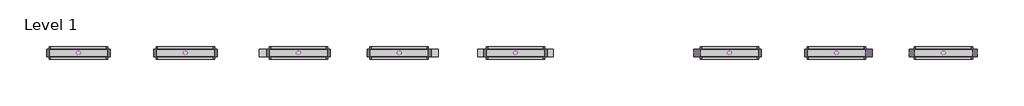
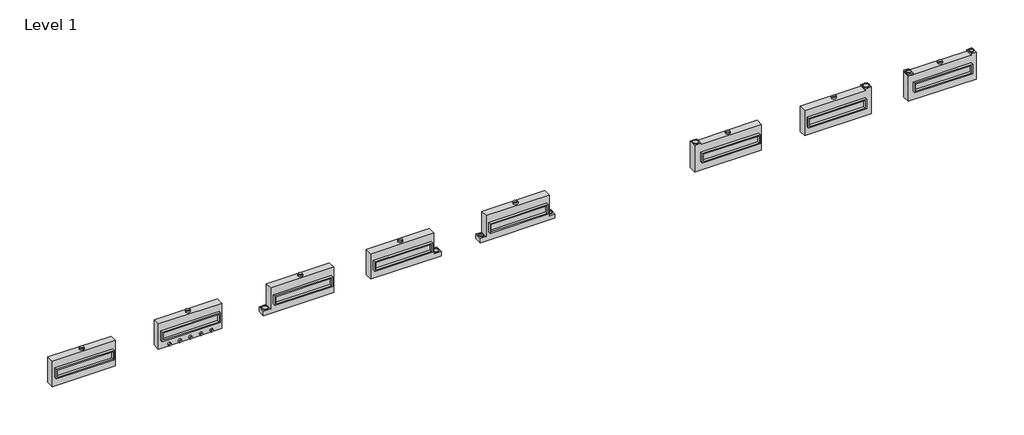
# One storey: 34 proxies.
"""IFC4 building model written with IfcOpenShell, lengths in millimetres."""

import ifcopenshell
import ifcopenshell.guid

model = None  # the IFC model being written
_history = None  # IfcOwnerHistory: only IFC2X3 demands one
_inside = {}  # id of a spatial element -> (the spatial element, [elements in it])
_under = {}  # id of a project, library or spatial element -> (it, [spatial elements below it])
_declared = {}  # id of a project -> (the project, [libraries it declares])
_typed = {}  # id of a type object -> (the type object, [elements of that type])
_made_of = {}  # id of a material, layer set ... -> (it, [elements and type objects made of it])


def new_model(schema):
    """Start an empty IFC model of exactly this schema.

    Asked for "IFC4X3", IfcOpenShell would pick the latest addendum, in which some entities
    have other attributes; the version numbers below select the first issue.
    IFC2X3 requires an IfcOwnerHistory on every rooted entity: one is made here for all.
    """
    global model, _history
    if schema == "IFC4X3":
        model = ifcopenshell.file(schema_version=(4, 3, 0, 0))
    else:
        model = ifcopenshell.file(schema=schema)
    _inside.clear()
    _under.clear()
    _declared.clear()
    _typed.clear()
    _made_of.clear()
    _history = None
    if model.schema == "IFC2X3":
        org = make("IfcOrganization", Name="unknown")
        user = make(
            "IfcPersonAndOrganization",
            ThePerson=make("IfcPerson", FamilyName="unknown"),
            TheOrganization=org,
        )
        app = make(
            "IfcApplication",
            ApplicationDeveloper=org,
            Version="unknown",
            ApplicationFullName="unknown",
            ApplicationIdentifier="unknown",
        )
        _history = make(
            "IfcOwnerHistory",
            OwningUser=user,
            OwningApplication=app,
            ChangeAction="ADDED",
            CreationDate=0,
        )
    return model


def make(cls, **values):
    """One entity of the class cls with the attributes given. An attribute that is None is left unset."""
    return model.create_entity(
        cls, **{name: value for name, value in values.items() if value is not None}
    )


def rooted(cls, **values):
    """An entity with a GlobalId (a new one), such as an element, a storey or a relation."""
    return make(cls, GlobalId=ifcopenshell.guid.new(), OwnerHistory=_history, **values)


def si_unit(unit_type, name, prefix=None):
    """IfcSIUnit, for example si_unit("LENGTHUNIT", "METRE", prefix="MILLI")."""
    return make("IfcSIUnit", UnitType=unit_type, Prefix=prefix, Name=name)


def assignment(units):
    """IfcUnitAssignment: the units of a project."""
    return None if units is None else make("IfcUnitAssignment", Units=units)


def point(xyz):
    """IfcCartesianPoint."""
    return None if xyz is None else make("IfcCartesianPoint", Coordinates=xyz)


def direction(xyz):
    """IfcDirection."""
    return None if xyz is None else make("IfcDirection", DirectionRatios=xyz)


def frame(location, z_axis=None, x_axis=None):
    """IfcAxis2Placement3D, a coordinate frame: its origin and axes. An axis left out is left unset."""
    return make(
        "IfcAxis2Placement3D",
        Location=point(location),
        Axis=direction(z_axis),
        RefDirection=direction(x_axis),
    )


def frame_2d(location, x_axis=None):
    """IfcAxis2Placement2D, a coordinate frame in the plane: its origin and x axis."""
    return make(
        "IfcAxis2Placement2D", Location=point(location), RefDirection=direction(x_axis)
    )


def origin():
    """The frame at (0, 0, 0) with its axes left unset."""
    return frame((0.0, 0.0, 0.0))


def origin_with_axes():
    """The frame at (0, 0, 0) with the z axis (0, 0, 1) and the x axis (1, 0, 0) written out."""
    return frame((0.0, 0.0, 0.0), z_axis=(0.0, 0.0, 1.0), x_axis=(1.0, 0.0, 0.0))


def origin_2d():
    """The frame at (0, 0) in the plane with its x axis left unset."""
    return frame_2d((0.0, 0.0))


def place(relative_to, where):
    """IfcLocalPlacement: puts the frame where relative to a parent placement (None: the world)."""
    return make(
        "IfcLocalPlacement", PlacementRelTo=relative_to, RelativePlacement=where
    )


def context(
    kind, dimensions, precision=None, world=None, true_north=None, identifier=None
):
    """IfcGeometricRepresentationContext, for example the 3D "Model" context."""
    return make(
        "IfcGeometricRepresentationContext",
        ContextIdentifier=identifier,
        ContextType=kind,
        CoordinateSpaceDimension=dimensions,
        Precision=precision,
        WorldCoordinateSystem=world,
        TrueNorth=true_north,
    )


def project(units=None, contexts=None):
    """IfcProject with its units and contexts."""
    return rooted(
        "IfcProject",
        Name="project",
        RepresentationContexts=contexts,
        UnitsInContext=assignment(units),
    )


def spatial(cls, under=None, at=None, **own):
    """A site, building, storey or space (cls), placed at a placement, below another one or the project."""
    s = rooted(cls, ObjectPlacement=at, **own)
    if under is not None:
        _under.setdefault(under.id(), (under, []))[1].append(s)
    return s


def polyline(points):
    """IfcPolyline through the points."""
    return make("IfcPolyline", Points=[point(p) for p in points])


def circle_curve(where, radius):
    """IfcCircle in the frame where."""
    return make("IfcCircle", Position=where, Radius=radius)


def trimmed(basis, trim1, trim2, sense, master):
    """IfcTrimmedCurve: the piece of a basis curve between two trims."""
    return make(
        "IfcTrimmedCurve",
        BasisCurve=basis,
        Trim1=trim1,
        Trim2=trim2,
        SenseAgreement=sense,
        MasterRepresentation=master,
    )


def segment(curve, same_sense, transition):
    """IfcCompositeCurveSegment."""
    return make(
        "IfcCompositeCurveSegment",
        Transition=transition,
        SameSense=same_sense,
        ParentCurve=curve,
    )


def composite_curve(segments, self_intersect=None):
    """IfcCompositeCurve: segments joined end to end."""
    return make("IfcCompositeCurve", Segments=segments, SelfIntersect=self_intersect)


def outline(outer, holes=None, kind="AREA"):
    """IfcArbitraryClosedProfileDef: a profile drawn as a closed curve; with holes, ...WithVoids."""
    if holes is None:
        return make("IfcArbitraryClosedProfileDef", ProfileType=kind, OuterCurve=outer)
    return make(
        "IfcArbitraryProfileDefWithVoids",
        ProfileType=kind,
        OuterCurve=outer,
        InnerCurves=holes,
    )


def extrude(swept, where, along, depth):
    """IfcExtrudedAreaSolid: the profile swept, set in the frame where, extruded along a direction by depth."""
    return make(
        "IfcExtrudedAreaSolid",
        SweptArea=swept,
        Position=where,
        ExtrudedDirection=direction(along),
        Depth=depth,
    )


def shape(context_of_items, identifier, shape_type, items):
    """IfcShapeRepresentation: the items that make up one representation, for example the "Body"."""
    return make(
        "IfcShapeRepresentation",
        ContextOfItems=context_of_items,
        RepresentationIdentifier=identifier,
        RepresentationType=shape_type,
        Items=items,
    )


def source(mapping_origin, context_of_items, identifier, shape_type, items):
    """IfcRepresentationMap: a shape defined once, which mapped items show again and again."""
    return make(
        "IfcRepresentationMap",
        MappingOrigin=mapping_origin,
        MappedRepresentation=shape(context_of_items, identifier, shape_type, items),
    )


def transform(
    local_origin,
    x_axis=None,
    y_axis=None,
    z_axis=None,
    scale=None,
    scale2=None,
    scale3=None,
    uniform=True,
):
    """IfcCartesianTransformationOperator3D, or its non-uniform kind. x_axis, y_axis, z_axis: its Axis1, 2, 3."""
    if uniform:
        return make(
            "IfcCartesianTransformationOperator3D",
            Axis1=direction(x_axis),
            Axis2=direction(y_axis),
            LocalOrigin=point(local_origin),
            Scale=scale,
            Axis3=direction(z_axis),
        )
    return make(
        "IfcCartesianTransformationOperator3DnonUniform",
        Axis1=direction(x_axis),
        Axis2=direction(y_axis),
        LocalOrigin=point(local_origin),
        Scale=scale,
        Axis3=direction(z_axis),
        Scale2=scale2,
        Scale3=scale3,
    )


def mapped(mapping_source, mapping_target):
    """IfcMappedItem: shows the shape of a source again, moved by a transform."""
    return make(
        "IfcMappedItem", MappingSource=mapping_source, MappingTarget=mapping_target
    )


def made_of(thing, what):
    """Note that an element or type object is made of a material, layer set ...; save() writes the relation."""
    if what is not None:
        _made_of.setdefault(what.id(), (what, []))[1].append(thing)
    return thing


def element(
    cls,
    number,
    at=None,
    inside=None,
    cuts=None,
    type_object=None,
    material=None,
    context=None,
    identifier="Body",
    shape_type=None,
    held_by="IfcProductDefinitionShape",
    body=None,
    shapes=None,
    **own,
):
    """One element of the class cls, such as IfcWall. Its Tag is "e" and its number.

    at: its placement. inside: the storey or other place that contains it. cuts: it is an
    opening in that element (IfcRelVoidsElement). A single representation is given by context,
    identifier, shape_type and body (its items); several are given by shapes. held_by: the class
    of the entity that holds the representations. save() writes the other relations.
    """
    e = rooted(cls, Tag="e%d" % number, ObjectPlacement=at, **own)
    if body is not None:
        shapes = [shape(context, identifier, shape_type, body)]
    if shapes is not None:
        e.Representation = make(held_by, Representations=shapes)
    if inside is not None:
        _inside.setdefault(inside.id(), (inside, []))[1].append(e)
    if cuts is not None:
        rooted(
            "IfcRelVoidsElement", RelatingBuildingElement=cuts, RelatedOpeningElement=e
        )
    if type_object is not None:
        _typed.setdefault(type_object.id(), (type_object, []))[1].append(e)
    return made_of(e, material)


def aggregate(whole, parts):
    """IfcRelAggregates: a whole, such as a stair, and the parts it consists of."""
    return rooted("IfcRelAggregates", RelatingObject=whole, RelatedObjects=parts)


def save(model, path):
    """Write the relations noted so far, then the file.

    IfcRelAggregates (storeys below a building ...), IfcRelContainedInSpatialStructure (elements
    in a storey), IfcRelDefinesByType, IfcRelAssociatesMaterial and IfcRelDeclares: one each for
    every whole, place, type object, material and project.
    """
    for whole, parts in _under.values():
        aggregate(whole, parts)
    for where, things in _inside.values():
        rooted(
            "IfcRelContainedInSpatialStructure",
            RelatedElements=things,
            RelatingStructure=where,
        )
    for kind, things in _typed.values():
        rooted("IfcRelDefinesByType", RelatedObjects=things, RelatingType=kind)
    for what, things in _made_of.values():
        rooted("IfcRelAssociatesMaterial", RelatedObjects=things, RelatingMaterial=what)
    for by, libraries in _declared.values():
        rooted("IfcRelDeclares", RelatingContext=by, RelatedDefinitions=libraries)
    model.write(path)


def as_specified_467cb690(model_context):
    return source(origin(), model_context, "Body", "SweptSolid", [
        extrude(outline(polyline([(1917.7, 361.95), (1917.7, -298.45), (-1917.7, -298.45), (-1917.7, 361.95), (1917.7, 361.95)]), holes=[polyline([(1828.8, 285.75), (-1828.8, 285.75), (-1828.8, -222.25), (1828.8, -222.25), (1828.8, 285.75)])]), frame((0.0, 0.0, -688.975), z_axis=(0.0, 0.0, 1.0), x_axis=(1.0, 0.0, 0.0)), (0.0, 0.0, 1.0), 165.1),
        extrude(outline(polyline([(1917.7, 361.95), (1917.7, -298.45), (-1917.7, -298.45), (-1917.7, 361.95), (1917.7, 361.95)]), holes=[polyline([(1828.8, 285.75), (-1828.8, 285.75), (-1828.8, -222.25), (1828.8, -222.25), (1828.8, 285.75)])]), frame((0.0, 0.0, -25.4), z_axis=(0.0, 0.0, 1.0), x_axis=(1.0, 0.0, 0.0)), (0.0, 0.0, 1.0), 165.1),
        extrude(outline(polyline([(1828.8, 285.75), (1828.8, -222.25), (-1828.8, -222.25), (-1828.8, 285.75), (1828.8, 285.75)])), frame((0.0, 0.0, -523.875), z_axis=(0.0, 0.0, 1.0), x_axis=(1.0, 0.0, 0.0)), (0.0, 0.0, 1.0), 4.9609375),
        extrude(outline(polyline([(1828.8, 285.75), (1828.8, -222.25), (-1828.8, -222.25), (-1828.8, 285.75), (1828.8, 285.75)])), frame((0.0, 0.0, -30.3609375), z_axis=(0.0, 0.0, 1.0), x_axis=(1.0, 0.0, 0.0)), (0.0, 0.0, 1.0), 4.9609375),
        extrude(outline(polyline([(-2082.8, 882.65), (2082.8, 882.65), (2082.8, -882.65), (-2565.4, -882.65), (-2565.4, -577.85), (-2082.8, -577.85), (-2082.8, 882.65)]), holes=[polyline([(-1917.7, 361.95), (-1917.7, -298.45), (1917.7, -298.45), (1917.7, 361.95), (-1917.7, 361.95)])]), frame((0.0, 0.0, -523.875), z_axis=(0.0, 0.0, 1.0), x_axis=(1.0, 0.0, 0.0)), (0.0, 0.0, 1.0), 498.475),
    ])


def as_specified_a56e41bc(model_context):
    return source(origin(), model_context, "Body", "SweptSolid", [
        extrude(outline(polyline([(1917.7, 361.95), (1917.7, -298.45), (-1917.7, -298.45), (-1917.7, 361.95), (1917.7, 361.95)]), holes=[polyline([(1828.8, 285.75), (-1828.8, 285.75), (-1828.8, -222.25), (1828.8, -222.25), (1828.8, 285.75)])]), frame((0.0, 0.0, -688.975), z_axis=(0.0, 0.0, 1.0), x_axis=(1.0, 0.0, 0.0)), (0.0, 0.0, 1.0), 165.1),
        extrude(outline(polyline([(1917.7, 361.95), (1917.7, -298.45), (-1917.7, -298.45), (-1917.7, 361.95), (1917.7, 361.95)]), holes=[polyline([(1828.8, 285.75), (-1828.8, 285.75), (-1828.8, -222.25), (1828.8, -222.25), (1828.8, 285.75)])]), frame((0.0, 0.0, -25.4), z_axis=(0.0, 0.0, 1.0), x_axis=(1.0, 0.0, 0.0)), (0.0, 0.0, 1.0), 165.1),
        extrude(outline(polyline([(1828.8, 285.75), (1828.8, -222.25), (-1828.8, -222.25), (-1828.8, 285.75), (1828.8, 285.75)])), frame((0.0, 0.0, -523.875), z_axis=(0.0, 0.0, 1.0), x_axis=(1.0, 0.0, 0.0)), (0.0, 0.0, 1.0), 4.9609375),
        extrude(outline(polyline([(1828.8, 285.75), (1828.8, -222.25), (-1828.8, -222.25), (-1828.8, 285.75), (1828.8, 285.75)])), frame((0.0, 0.0, -30.3609375), z_axis=(0.0, 0.0, 1.0), x_axis=(1.0, 0.0, 0.0)), (0.0, 0.0, 1.0), 4.9609375),
        extrude(outline(polyline([(2082.8, -882.65), (-2336.8, -882.65), (-2336.8, 984.25), (-1917.7, 984.25), (-1917.7, 882.65), (2082.8, 882.65), (2082.8, -882.65)]), holes=[polyline([(-1917.7, 361.95), (-1917.7, -298.45), (1917.7, -298.45), (1917.7, 361.95), (-1917.7, 361.95)])]), frame((0.0, 0.0, -523.875), z_axis=(0.0, 0.0, 1.0), x_axis=(1.0, 0.0, 0.0)), (0.0, 0.0, 1.0), 498.475),
    ])


def as_specified_0b6588af(model_context):
    return source(origin(), model_context, "Body", "SweptSolid", [
        extrude(outline(polyline([(1917.7, 361.95), (1917.7, -298.45), (-1917.7, -298.45), (-1917.7, 361.95), (1917.7, 361.95)]), holes=[polyline([(1828.8, 285.75), (-1828.8, 285.75), (-1828.8, -222.25), (1828.8, -222.25), (1828.8, 285.75)])]), frame((0.0, 0.0, -688.975), z_axis=(0.0, 0.0, 1.0), x_axis=(1.0, 0.0, 0.0)), (0.0, 0.0, 1.0), 165.1),
        extrude(outline(polyline([(1917.7, 361.95), (1917.7, -298.45), (-1917.7, -298.45), (-1917.7, 361.95), (1917.7, 361.95)]), holes=[polyline([(1828.8, 285.75), (-1828.8, 285.75), (-1828.8, -222.25), (1828.8, -222.25), (1828.8, 285.75)])]), frame((0.0, 0.0, -25.4), z_axis=(0.0, 0.0, 1.0), x_axis=(1.0, 0.0, 0.0)), (0.0, 0.0, 1.0), 165.1),
        extrude(outline(polyline([(1828.8, 285.75), (1828.8, -222.25), (-1828.8, -222.25), (-1828.8, 285.75), (1828.8, 285.75)])), frame((0.0, 0.0, -523.875), z_axis=(0.0, 0.0, 1.0), x_axis=(1.0, 0.0, 0.0)), (0.0, 0.0, 1.0), 4.9609375),
        extrude(outline(polyline([(1828.8, 285.75), (1828.8, -222.25), (-1828.8, -222.25), (-1828.8, 285.75), (1828.8, 285.75)])), frame((0.0, 0.0, -30.3609375), z_axis=(0.0, 0.0, 1.0), x_axis=(1.0, 0.0, 0.0)), (0.0, 0.0, 1.0), 4.9609375),
        extrude(outline(polyline([(-2082.8, 882.65), (2082.8, 882.65), (2082.8, -577.85), (2463.8, -577.85), (2463.8, -882.65), (-2463.8, -882.65), (-2463.8, -577.85), (-2082.8, -577.85), (-2082.8, 882.65)]), holes=[polyline([(-1917.7, 361.95), (-1917.7, -298.45), (1917.7, -298.45), (1917.7, 361.95), (-1917.7, 361.95)])]), frame((0.0, 0.0, -523.875), z_axis=(0.0, 0.0, 1.0), x_axis=(1.0, 0.0, 0.0)), (0.0, 0.0, 1.0), 498.475),
    ])


def as_specified_8337780e(model_context):
    return source(origin(), model_context, "Body", "SweptSolid", [
        extrude(outline(polyline([(1917.7, 361.95), (1917.7, -298.45), (-1917.7, -298.45), (-1917.7, 361.95), (1917.7, 361.95)]), holes=[polyline([(1828.8, 285.75), (-1828.8, 285.75), (-1828.8, -222.25), (1828.8, -222.25), (1828.8, 285.75)])]), frame((0.0, 0.0, -688.975), z_axis=(0.0, 0.0, 1.0), x_axis=(1.0, 0.0, 0.0)), (0.0, 0.0, 1.0), 165.1),
        extrude(outline(polyline([(1917.7, 361.95), (1917.7, -298.45), (-1917.7, -298.45), (-1917.7, 361.95), (1917.7, 361.95)]), holes=[polyline([(1828.8, 285.75), (-1828.8, 285.75), (-1828.8, -222.25), (1828.8, -222.25), (1828.8, 285.75)])]), frame((0.0, 0.0, -25.4), z_axis=(0.0, 0.0, 1.0), x_axis=(1.0, 0.0, 0.0)), (0.0, 0.0, 1.0), 165.1),
        extrude(outline(polyline([(1828.8, 285.75), (1828.8, -222.25), (-1828.8, -222.25), (-1828.8, 285.75), (1828.8, 285.75)])), frame((0.0, 0.0, -523.875), z_axis=(0.0, 0.0, 1.0), x_axis=(1.0, 0.0, 0.0)), (0.0, 0.0, 1.0), 4.9609375),
        extrude(outline(polyline([(1828.8, 285.75), (1828.8, -222.25), (-1828.8, -222.25), (-1828.8, 285.75), (1828.8, 285.75)])), frame((0.0, 0.0, -30.3609375), z_axis=(0.0, 0.0, 1.0), x_axis=(1.0, 0.0, 0.0)), (0.0, 0.0, 1.0), 4.9609375),
        extrude(outline(polyline([(-2082.8, 882.65), (2082.8, 882.65), (2082.8, -577.85), (2565.4, -577.85), (2565.4, -882.65), (-2082.8, -882.65), (-2082.8, 882.65)]), holes=[polyline([(-1917.7, 361.95), (-1917.7, -298.45), (1917.7, -298.45), (1917.7, 361.95), (-1917.7, 361.95)])]), frame((0.0, 0.0, -523.875), z_axis=(0.0, 0.0, 1.0), x_axis=(1.0, 0.0, 0.0)), (0.0, 0.0, 1.0), 498.475),
    ])


def as_specified_1f719988(model_context):
    return source(origin(), model_context, "Body", "SweptSolid", [
        extrude(outline(polyline([(1917.7, 361.95), (1917.7, -298.45), (-1917.7, -298.45), (-1917.7, 361.95), (1917.7, 361.95)]), holes=[polyline([(1828.8, 285.75), (-1828.8, 285.75), (-1828.8, -222.25), (1828.8, -222.25), (1828.8, 285.75)])]), frame((0.0, 0.0, -688.975), z_axis=(0.0, 0.0, 1.0), x_axis=(1.0, 0.0, 0.0)), (0.0, 0.0, 1.0), 165.1),
        extrude(outline(polyline([(1917.7, 361.95), (1917.7, -298.45), (-1917.7, -298.45), (-1917.7, 361.95), (1917.7, 361.95)]), holes=[polyline([(1828.8, 285.75), (-1828.8, 285.75), (-1828.8, -222.25), (1828.8, -222.25), (1828.8, 285.75)])]), frame((0.0, 0.0, -25.4), z_axis=(0.0, 0.0, 1.0), x_axis=(1.0, 0.0, 0.0)), (0.0, 0.0, 1.0), 165.1),
        extrude(outline(polyline([(1828.8, 285.75), (1828.8, -222.25), (-1828.8, -222.25), (-1828.8, 285.75), (1828.8, 285.75)])), frame((0.0, 0.0, -523.875), z_axis=(0.0, 0.0, 1.0), x_axis=(1.0, 0.0, 0.0)), (0.0, 0.0, 1.0), 4.9609375),
        extrude(outline(polyline([(1828.8, 285.75), (1828.8, -222.25), (-1828.8, -222.25), (-1828.8, 285.75), (1828.8, 285.75)])), frame((0.0, 0.0, -30.3609375), z_axis=(0.0, 0.0, 1.0), x_axis=(1.0, 0.0, 0.0)), (0.0, 0.0, 1.0), 4.9609375),
        extrude(outline(polyline([(2336.8, -882.65), (-2082.8, -882.65), (-2082.8, 882.65), (1917.7, 882.65), (1917.7, 984.25), (2336.8, 984.25), (2336.8, -882.65)]), holes=[polyline([(-1917.7, 361.95), (-1917.7, -298.45), (1917.7, -298.45), (1917.7, 361.95), (-1917.7, 361.95)])]), frame((0.0, 0.0, -523.875), z_axis=(0.0, 0.0, 1.0), x_axis=(1.0, 0.0, 0.0)), (0.0, 0.0, 1.0), 498.475),
    ])


def as_specified_d8558569(model_context):
    return source(origin(), model_context, "Body", "SweptSolid", [
        extrude(outline(polyline([(1917.7, 361.95), (1917.7, -298.45), (-1917.7, -298.45), (-1917.7, 361.95), (1917.7, 361.95)]), holes=[polyline([(1828.8, 285.75), (-1828.8, 285.75), (-1828.8, -222.25), (1828.8, -222.25), (1828.8, 285.75)])]), frame((0.0, 0.0, -688.975), z_axis=(0.0, 0.0, 1.0), x_axis=(1.0, 0.0, 0.0)), (0.0, 0.0, 1.0), 165.1),
        extrude(outline(polyline([(1917.7, 361.95), (1917.7, -298.45), (-1917.7, -298.45), (-1917.7, 361.95), (1917.7, 361.95)]), holes=[polyline([(1828.8, 285.75), (-1828.8, 285.75), (-1828.8, -222.25), (1828.8, -222.25), (1828.8, 285.75)])]), frame((0.0, 0.0, -25.4), z_axis=(0.0, 0.0, 1.0), x_axis=(1.0, 0.0, 0.0)), (0.0, 0.0, 1.0), 165.1),
        extrude(outline(polyline([(-1917.7, 882.65), (-2235.2, 882.65), (-2235.2, 984.25), (-1917.7, 984.25), (-1917.7, 882.65)])), frame((0.0, 0.0, -523.875), z_axis=(0.0, 0.0, 1.0), x_axis=(1.0, 0.0, 0.0)), (0.0, 0.0, 1.0), 498.475),
        extrude(outline(polyline([(1828.8, 285.75), (1828.8, -222.25), (-1828.8, -222.25), (-1828.8, 285.75), (1828.8, 285.75)])), frame((0.0, 0.0, -523.875), z_axis=(0.0, 0.0, 1.0), x_axis=(1.0, 0.0, 0.0)), (0.0, 0.0, 1.0), 4.9609375),
        extrude(outline(polyline([(1828.8, 285.75), (1828.8, -222.25), (-1828.8, -222.25), (-1828.8, 285.75), (1828.8, 285.75)])), frame((0.0, 0.0, -30.3609375), z_axis=(0.0, 0.0, 1.0), x_axis=(1.0, 0.0, 0.0)), (0.0, 0.0, 1.0), 4.9609375),
        extrude(outline(polyline([(2235.2, -882.65), (-2235.2, -882.65), (-2235.2, 882.65), (1917.7, 882.65), (1917.7, 984.25), (2235.2, 984.25), (2235.2, -882.65)]), holes=[polyline([(-1917.7, 361.95), (-1917.7, -298.45), (1917.7, -298.45), (1917.7, 361.95), (-1917.7, 361.95)])]), frame((0.0, 0.0, -523.875), z_axis=(0.0, 0.0, 1.0), x_axis=(1.0, 0.0, 0.0)), (0.0, 0.0, 1.0), 498.475),
    ])


def as_specified_1793d65c(model_context):
    return source(origin(), model_context, "Body", "SweptSolid", [
        extrude(outline(polyline([(1917.7, 361.95), (1917.7, -298.45), (-1917.7, -298.45), (-1917.7, 361.95), (1917.7, 361.95)]), holes=[polyline([(1828.8, 285.75), (-1828.8, 285.75), (-1828.8, -222.25), (1828.8, -222.25), (1828.8, 285.75)])]), frame((0.0, 0.0, -688.975), z_axis=(0.0, 0.0, 1.0), x_axis=(1.0, 0.0, 0.0)), (0.0, 0.0, 1.0), 165.1),
        extrude(outline(polyline([(1917.7, 361.95), (1917.7, -298.45), (-1917.7, -298.45), (-1917.7, 361.95), (1917.7, 361.95)]), holes=[polyline([(1828.8, 285.75), (-1828.8, 285.75), (-1828.8, -222.25), (1828.8, -222.25), (1828.8, 285.75)])]), frame((0.0, 0.0, -25.4), z_axis=(0.0, 0.0, 1.0), x_axis=(1.0, 0.0, 0.0)), (0.0, 0.0, 1.0), 165.1),
        extrude(outline(polyline([(1828.8, 285.75), (1828.8, -222.25), (-1828.8, -222.25), (-1828.8, 285.75), (1828.8, 285.75)])), frame((0.0, 0.0, -523.875), z_axis=(0.0, 0.0, 1.0), x_axis=(1.0, 0.0, 0.0)), (0.0, 0.0, 1.0), 4.9609375),
        extrude(outline(polyline([(1828.8, 285.75), (1828.8, -222.25), (-1828.8, -222.25), (-1828.8, 285.75), (1828.8, 285.75)])), frame((0.0, 0.0, -30.3609375), z_axis=(0.0, 0.0, 1.0), x_axis=(1.0, 0.0, 0.0)), (0.0, 0.0, 1.0), 4.9609375),
        extrude(outline(polyline([(2082.8, -882.65), (-2082.8, -882.65), (-2082.8, 882.65), (2082.8, 882.65), (2082.8, -882.65)]), holes=[polyline([(-1917.7, 361.95), (-1917.7, -298.45), (1917.7, -298.45), (1917.7, 361.95), (-1917.7, 361.95)])]), frame((0.0, 0.0, -523.875), z_axis=(0.0, 0.0, 1.0), x_axis=(1.0, 0.0, 0.0)), (0.0, 0.0, 1.0), 498.475),
    ])


def proxy_814ff0a6(model_context):
    return source(origin(), model_context, "Body", "SweptSolid", [
        extrude(outline(composite_curve([segment(trimmed(circle_curve(origin_2d(), 149.225), [point((-149.225, 0.0))], [point((149.225, 0.0))], False, "CARTESIAN"), True, "CONTINUOUS"), segment(trimmed(circle_curve(origin_2d(), 149.225), [point((149.225, 0.0))], [point((-149.225, 0.0))], False, "CARTESIAN"), True, "CONTINUOUS")], self_intersect=False), holes=[composite_curve([segment(trimmed(circle_curve(origin_2d(), 147.6375), [point((-147.6375, 0.0))], [point((147.6375, 0.0))], True, "CARTESIAN"), True, "CONTINUOUS"), segment(trimmed(circle_curve(origin_2d(), 147.6375), [point((147.6375, 0.0))], [point((-147.6375, 0.0))], True, "CARTESIAN"), True, "CONTINUOUS")], self_intersect=False)]), origin_with_axes(), (0.0, 0.0, 1.0), 101.6),
    ])


def proxy_f96b1d40(model_context):
    return source(origin(), model_context, "Body", "SweptSolid", [
        extrude(outline(composite_curve([segment(trimmed(circle_curve(origin_2d(), 150.8125), [point((-150.8125, 0.0))], [point((150.8125, 0.0))], False, "CARTESIAN"), True, "CONTINUOUS"), segment(trimmed(circle_curve(origin_2d(), 150.8125), [point((150.8125, 0.0))], [point((-150.8125, 0.0))], False, "CARTESIAN"), True, "CONTINUOUS")], self_intersect=False), holes=[composite_curve([segment(trimmed(circle_curve(origin_2d(), 149.225), [point((-149.225, 0.0))], [point((149.225, 0.0))], True, "CARTESIAN"), True, "CONTINUOUS"), segment(trimmed(circle_curve(origin_2d(), 149.225), [point((149.225, 0.0))], [point((-149.225, 0.0))], True, "CARTESIAN"), True, "CONTINUOUS")], self_intersect=False)]), origin_with_axes(), (0.0, 0.0, 1.0), 50.8),
    ])


def proxy_1980b29d(model_context):
    return source(origin(), model_context, "Body", "SweptSolid", [
        extrude(outline(composite_curve([segment(trimmed(circle_curve(origin_2d(), 201.6621094), [point((-201.6621094, 0.0))], [point((201.6621094, 0.0))], False, "CARTESIAN"), True, "CONTINUOUS"), segment(trimmed(circle_curve(origin_2d(), 201.6621094), [point((201.6621094, 0.0))], [point((-201.6621094, 0.0))], False, "CARTESIAN"), True, "CONTINUOUS")], self_intersect=False), holes=[composite_curve([segment(trimmed(circle_curve(origin_2d(), 200.0746094), [point((-200.0746094, 0.0))], [point((200.0746094, 0.0))], True, "CARTESIAN"), True, "CONTINUOUS"), segment(trimmed(circle_curve(origin_2d(), 200.0746094), [point((200.0746094, 0.0))], [point((-200.0746094, 0.0))], True, "CARTESIAN"), True, "CONTINUOUS")], self_intersect=False)]), origin_with_axes(), (0.0, 0.0, 1.0), 50.8),
    ])


def proxy_5643af6b(model_context):
    return source(origin(), model_context, "Body", "SweptSolid", [
        extrude(outline(composite_curve([segment(trimmed(circle_curve(origin_2d(), 100.0125), [point((-100.0125, 0.0))], [point((100.0125, 0.0))], False, "CARTESIAN"), True, "CONTINUOUS"), segment(trimmed(circle_curve(origin_2d(), 100.0125), [point((100.0125, 0.0))], [point((-100.0125, 0.0))], False, "CARTESIAN"), True, "CONTINUOUS")], self_intersect=False), holes=[composite_curve([segment(trimmed(circle_curve(origin_2d(), 98.425), [point((-98.425, 0.0))], [point((98.425, 0.0))], True, "CARTESIAN"), True, "CONTINUOUS"), segment(trimmed(circle_curve(origin_2d(), 98.425), [point((98.425, 0.0))], [point((-98.425, 0.0))], True, "CARTESIAN"), True, "CONTINUOUS")], self_intersect=False)]), origin_with_axes(), (0.0, 0.0, 1.0), 101.6),
    ])


def proxy_c1ba4f62(model_context):
    return source(origin(), model_context, "Body", "SweptSolid", [
        extrude(outline(composite_curve([segment(trimmed(circle_curve(origin_2d(), 103.1875), [point((-103.1875, 0.0))], [point((103.1875, 0.0))], False, "CARTESIAN"), True, "CONTINUOUS"), segment(trimmed(circle_curve(origin_2d(), 103.1875), [point((103.1875, 0.0))], [point((-103.1875, 0.0))], False, "CARTESIAN"), True, "CONTINUOUS")], self_intersect=False), holes=[composite_curve([segment(trimmed(circle_curve(origin_2d(), 101.6), [point((-101.6, 0.0))], [point((101.6, 0.0))], True, "CARTESIAN"), True, "CONTINUOUS"), segment(trimmed(circle_curve(origin_2d(), 101.6), [point((101.6, 0.0))], [point((-101.6, 0.0))], True, "CARTESIAN"), True, "CONTINUOUS")], self_intersect=False)]), origin_with_axes(), (0.0, 0.0, 1.0), 6.35),
    ])


model = new_model("IFC4")

# Units and contexts
model_context = context("Model", 3, world=origin())
ifc_project = project(units=[si_unit("LENGTHUNIT", "METRE", prefix="MILLI")], contexts=[model_context])

# Site, building, storey
site = spatial("IfcSite", under=ifc_project)
building = spatial("IfcBuilding", under=site)
storey = spatial("IfcBuildingStorey", under=building, Name="Level 1", Elevation=0.0)

# Proxies
placement = place(None, origin())
as_specified_shape = as_specified_467cb690(model_context)
element("IfcBuildingElementProxy", 1, Name="As Specified", ObjectType="As Specified", at=placement, inside=storey, context=model_context, shape_type="MappedRepresentation", body=[
    mapped(as_specified_shape, transform((565.6597121, 1616.7712992, 1144.6311604), x_axis=(1.0, 0.0, 0.0), y_axis=(0.0, 0.0, 1.0), z_axis=(0.0, -1.0, 0.0))),
])
as_specified_2_shape = as_specified_a56e41bc(model_context)
element("IfcBuildingElementProxy", 2, Name="As Specified", ObjectType="As Specified", at=placement, inside=storey, context=model_context, shape_type="MappedRepresentation", body=[
    mapped(as_specified_2_shape, transform((28812.0574402, 1616.7712992, 1219.2), x_axis=(1.0, 0.0, 0.0), y_axis=(0.0, 0.0, 1.0), z_axis=(0.0, -1.0, 0.0))),
])
as_specified_3_shape = as_specified_0b6588af(model_context)
element("IfcBuildingElementProxy", 3, Name="As Specified", ObjectType="As Specified", at=placement, inside=storey, context=model_context, shape_type="MappedRepresentation", body=[
    mapped(as_specified_3_shape, transform((14791.2574402, 1616.7712992, 1219.2), x_axis=(1.0, 0.0, 0.0), y_axis=(0.0, 0.0, 1.0), z_axis=(0.0, -1.0, 0.0))),
])
as_specified_4_shape = as_specified_8337780e(model_context)
element("IfcBuildingElementProxy", 4, Name="As Specified", ObjectType="As Specified", at=placement, inside=storey, context=model_context, shape_type="MappedRepresentation", body=[
    mapped(as_specified_4_shape, transform((7171.2574402, 1616.7712992, 1219.2), x_axis=(1.0, 0.0, 0.0), y_axis=(0.0, 0.0, 1.0), z_axis=(0.0, -1.0, 0.0))),
])
as_specified_5_shape = as_specified_1f719988(model_context)
element("IfcBuildingElementProxy", 5, Name="As Specified", ObjectType="As Specified", at=placement, inside=storey, context=model_context, shape_type="MappedRepresentation", body=[
    mapped(as_specified_5_shape, transform((35822.4574402, 1616.7712992, 1219.2), x_axis=(1.0, 0.0, 0.0), y_axis=(0.0, 0.0, 1.0), z_axis=(0.0, -1.0, 0.0))),
])
as_specified_6_shape = as_specified_d8558569(model_context)
element("IfcBuildingElementProxy", 6, Name="As Specified", ObjectType="As Specified", at=placement, inside=storey, context=model_context, shape_type="MappedRepresentation", body=[
    mapped(as_specified_6_shape, transform((42832.8574402, 1616.7712992, 1219.2), x_axis=(1.0, 0.0, 0.0), y_axis=(0.0, 0.0, 1.0), z_axis=(0.0, -1.0, 0.0))),
])
as_specified_7_shape = as_specified_1793d65c(model_context)
element("IfcBuildingElementProxy", 7, Name="As Specified", ObjectType="As Specified", at=placement, inside=storey, context=model_context, shape_type="MappedRepresentation", body=[
    mapped(as_specified_7_shape, transform((-6849.5425598, 1616.7712992, 1219.2), x_axis=(1.0, 0.0, 0.0), y_axis=(0.0, 0.0, 1.0), z_axis=(0.0, -1.0, 0.0))),
])
element("IfcBuildingElementProxy", 8, Name="As Specified", ObjectType="As Specified", at=placement, inside=storey, context=model_context, shape_type="MappedRepresentation", body=[
    mapped(as_specified_7_shape, transform((-13859.9425598, 1616.7712992, 1066.8), x_axis=(1.0, 0.0, 0.0), y_axis=(0.0, 0.0, 1.0), z_axis=(0.0, -1.0, 0.0))),
])
proxy_shape = proxy_814ff0a6(model_context)
element("IfcBuildingElementProxy", 9, Name="Duct Dia : 11 3/4\" Dia", ObjectType="Duct Dia : 11 3/4\" Dia", at=placement, inside=storey, context=model_context, shape_type="MappedRepresentation", body=[
    mapped(proxy_shape, transform((-13859.9425598, 1891.4087992, 1949.45), x_axis=(1.0, 0.0, 0.0), y_axis=(0.0, 1.0, 0.0), z_axis=(0.0, 0.0, 1.0))),
])
element("IfcBuildingElementProxy", 10, Name="Duct Dia : 11 3/4\" Dia", ObjectType="Duct Dia : 11 3/4\" Dia", at=placement, inside=storey, context=model_context, shape_type="MappedRepresentation", body=[
    mapped(proxy_shape, transform((-6849.5425598, 1891.4087992, 2101.85), x_axis=(1.0, 0.0, 0.0), y_axis=(0.0, 1.0, 0.0), z_axis=(0.0, 0.0, 1.0))),
])
element("IfcBuildingElementProxy", 11, Name="Duct Dia : 11 3/4\" Dia", ObjectType="Duct Dia : 11 3/4\" Dia", at=placement, inside=storey, context=model_context, shape_type="MappedRepresentation", body=[
    mapped(proxy_shape, transform((565.6597121, 1891.4087992, 2027.2811604), x_axis=(1.0, 0.0, 0.0), y_axis=(0.0, 1.0, 0.0), z_axis=(0.0, 0.0, 1.0))),
])
element("IfcBuildingElementProxy", 12, Name="Duct Dia : 11 3/4\" Dia", ObjectType="Duct Dia : 11 3/4\" Dia", at=placement, inside=storey, context=model_context, shape_type="MappedRepresentation", body=[
    mapped(proxy_shape, transform((7171.2574402, 1891.4087992, 2101.85), x_axis=(1.0, 0.0, 0.0), y_axis=(0.0, 1.0, 0.0), z_axis=(0.0, 0.0, 1.0))),
])
element("IfcBuildingElementProxy", 13, Name="Duct Dia : 11 3/4\" Dia", ObjectType="Duct Dia : 11 3/4\" Dia", at=placement, inside=storey, context=model_context, shape_type="MappedRepresentation", body=[
    mapped(proxy_shape, transform((14791.2574402, 1891.4087992, 2101.85), x_axis=(1.0, 0.0, 0.0), y_axis=(0.0, 1.0, 0.0), z_axis=(0.0, 0.0, 1.0))),
])
element("IfcBuildingElementProxy", 14, Name="Duct Dia : 11 3/4\" Dia", ObjectType="Duct Dia : 11 3/4\" Dia", at=placement, inside=storey, context=model_context, shape_type="MappedRepresentation", body=[
    mapped(proxy_shape, transform((28812.0574402, 1891.4087992, 2101.85), x_axis=(1.0, 0.0, 0.0), y_axis=(0.0, 1.0, 0.0), z_axis=(0.0, 0.0, 1.0))),
])
element("IfcBuildingElementProxy", 15, Name="Duct Dia : 11 3/4\" Dia", ObjectType="Duct Dia : 11 3/4\" Dia", at=placement, inside=storey, context=model_context, shape_type="MappedRepresentation", body=[
    mapped(proxy_shape, transform((35822.4574402, 1891.4087992, 2101.85), x_axis=(1.0, 0.0, 0.0), y_axis=(0.0, 1.0, 0.0), z_axis=(0.0, 0.0, 1.0))),
])
element("IfcBuildingElementProxy", 16, Name="Duct Dia : 11 3/4\" Dia", ObjectType="Duct Dia : 11 3/4\" Dia", at=placement, inside=storey, context=model_context, shape_type="MappedRepresentation", body=[
    mapped(proxy_shape, transform((42832.8574402, 1891.4087992, 2101.85), x_axis=(1.0, 0.0, 0.0), y_axis=(0.0, 1.0, 0.0), z_axis=(0.0, 0.0, 1.0))),
])
proxy_2_shape = proxy_f96b1d40(model_context)
element("IfcBuildingElementProxy", 17, Name="Duct Dia : 11 7/8\" Dia.", ObjectType="Duct Dia : 11 7/8\" Dia.", at=placement, inside=storey, context=model_context, shape_type="MappedRepresentation", body=[
    mapped(proxy_2_shape, transform((12517.9574402, 1891.4087992, 641.35), x_axis=(1.0, 0.0, 0.0), y_axis=(0.0, 1.0, 0.0), z_axis=(0.0, 0.0, 1.0))),
])
element("IfcBuildingElementProxy", 18, Name="Duct Dia : 11 7/8\" Dia.", ObjectType="Duct Dia : 11 7/8\" Dia.", at=placement, inside=storey, context=model_context, shape_type="MappedRepresentation", body=[
    mapped(proxy_2_shape, transform((40756.4074402, 1891.4087992, 2203.45), x_axis=(1.0, 0.0, 0.0), y_axis=(0.0, 1.0, 0.0), z_axis=(0.0, 0.0, 1.0))),
])
element("IfcBuildingElementProxy", 19, Name="Duct Dia : 11 7/8\" Dia.", ObjectType="Duct Dia : 11 7/8\" Dia.", at=placement, inside=storey, context=model_context, shape_type="MappedRepresentation", body=[
    mapped(proxy_2_shape, transform((17064.5574402, 1891.4087992, 641.35), x_axis=(-1.0, 0.0, 0.0), y_axis=(0.0, -1.0, 0.0), z_axis=(0.0, 0.0, 1.0))),
])
element("IfcBuildingElementProxy", 20, Name="Duct Dia : 11 7/8\" Dia.", ObjectType="Duct Dia : 11 7/8\" Dia.", at=placement, inside=storey, context=model_context, shape_type="MappedRepresentation", body=[
    mapped(proxy_2_shape, transform((44909.3074402, 1891.4087992, 2203.45), x_axis=(-1.0, 0.0, 0.0), y_axis=(0.0, -1.0, 0.0), z_axis=(0.0, 0.0, 1.0))),
])
proxy_3_shape = proxy_1980b29d(model_context)
element("IfcBuildingElementProxy", 21, Name="Duct Dia : 15 7/8\" Dia.", ObjectType="Duct Dia : 15 7/8\" Dia.", at=placement, inside=storey, context=model_context, shape_type="MappedRepresentation", body=[
    mapped(proxy_3_shape, transform((-1758.4402879, 1891.4087992, 566.7811604), x_axis=(1.0, 0.0, 0.0), y_axis=(0.0, 1.0, 0.0), z_axis=(0.0, 0.0, 1.0))),
])
element("IfcBuildingElementProxy", 22, Name="Duct Dia : 15 7/8\" Dia.", ObjectType="Duct Dia : 15 7/8\" Dia.", at=placement, inside=storey, context=model_context, shape_type="MappedRepresentation", body=[
    mapped(proxy_3_shape, transform((26684.8074402, 1891.4087992, 2203.45), x_axis=(1.0, 0.0, 0.0), y_axis=(0.0, 1.0, 0.0), z_axis=(0.0, 0.0, 1.0))),
])
element("IfcBuildingElementProxy", 23, Name="Duct Dia : 15 7/8\" Dia.", ObjectType="Duct Dia : 15 7/8\" Dia.", at=placement, inside=storey, context=model_context, shape_type="MappedRepresentation", body=[
    mapped(proxy_3_shape, transform((9495.3574402, 1891.4087992, 641.35), x_axis=(-1.0, 0.0, 0.0), y_axis=(0.0, -1.0, 0.0), z_axis=(0.0, 0.0, 1.0))),
])
element("IfcBuildingElementProxy", 24, Name="Duct Dia : 15 7/8\" Dia.", ObjectType="Duct Dia : 15 7/8\" Dia.", at=placement, inside=storey, context=model_context, shape_type="MappedRepresentation", body=[
    mapped(proxy_3_shape, transform((37949.7074402, 1891.4087992, 2203.45), x_axis=(-1.0, 0.0, 0.0), y_axis=(0.0, -1.0, 0.0), z_axis=(0.0, 0.0, 1.0))),
])
proxy_4_shape = proxy_5643af6b(model_context)
element("IfcBuildingElementProxy", 25, Name="Duct Dia : 7 7/8\" Dia", ObjectType="Duct Dia : 7 7/8\" Dia", at=placement, inside=storey, context=model_context, shape_type="MappedRepresentation", body=[
    mapped(proxy_4_shape, transform((-7543.8092265, 1642.1712992, 488.95), x_axis=(-1.0, 0.0, 0.0), y_axis=(0.0, 0.0, -1.0), z_axis=(0.0, -1.0, 0.0))),
])
element("IfcBuildingElementProxy", 26, Name="Duct Dia : 7 7/8\" Dia", ObjectType="Duct Dia : 7 7/8\" Dia", at=placement, inside=storey, context=model_context, shape_type="MappedRepresentation", body=[
    mapped(proxy_4_shape, transform((-6155.2758932, 1642.1712992, 488.95), x_axis=(-1.0, 0.0, 0.0), y_axis=(0.0, 0.0, -1.0), z_axis=(0.0, -1.0, 0.0))),
])
element("IfcBuildingElementProxy", 27, Name="Duct Dia : 7 7/8\" Dia", ObjectType="Duct Dia : 7 7/8\" Dia", at=placement, inside=storey, context=model_context, shape_type="MappedRepresentation", body=[
    mapped(proxy_4_shape, transform((-6849.5425598, 1642.1712992, 488.95), x_axis=(-1.0, 0.0, 0.0), y_axis=(0.0, 0.0, -1.0), z_axis=(0.0, -1.0, 0.0))),
])
element("IfcBuildingElementProxy", 28, Name="Duct Dia : 7 7/8\" Dia", ObjectType="Duct Dia : 7 7/8\" Dia", at=placement, inside=storey, context=model_context, shape_type="MappedRepresentation", body=[
    mapped(proxy_4_shape, transform((-8238.0758932, 1642.1712992, 488.95), x_axis=(-1.0, 0.0, 0.0), y_axis=(0.0, 0.0, -1.0), z_axis=(0.0, -1.0, 0.0))),
])
element("IfcBuildingElementProxy", 29, Name="Duct Dia : 7 7/8\" Dia", ObjectType="Duct Dia : 7 7/8\" Dia", at=placement, inside=storey, context=model_context, shape_type="MappedRepresentation", body=[
    mapped(proxy_4_shape, transform((-5461.0092265, 1642.1712992, 488.95), x_axis=(-1.0, 0.0, 0.0), y_axis=(0.0, 0.0, -1.0), z_axis=(0.0, -1.0, 0.0))),
])
proxy_5_shape = proxy_c1ba4f62(model_context)
element("IfcBuildingElementProxy", 30, Name="Duct Dia : 8 1/8\" Dia", ObjectType="Duct Dia : 8 1/8\" Dia", at=placement, inside=storey, context=model_context, shape_type="MappedRepresentation", body=[
    mapped(proxy_5_shape, transform((-14554.2092265, 1907.0853617, 184.15), x_axis=(1.0, 0.0, 0.0), y_axis=(0.0, -1.0, 0.0), z_axis=(0.0, 0.0, -1.0))),
])
element("IfcBuildingElementProxy", 31, Name="Duct Dia : 8 1/8\" Dia", ObjectType="Duct Dia : 8 1/8\" Dia", at=placement, inside=storey, context=model_context, shape_type="MappedRepresentation", body=[
    mapped(proxy_5_shape, transform((-13165.6758932, 1907.0853617, 184.15), x_axis=(1.0, 0.0, 0.0), y_axis=(0.0, -1.0, 0.0), z_axis=(0.0, 0.0, -1.0))),
])
element("IfcBuildingElementProxy", 32, Name="Duct Dia : 8 1/8\" Dia", ObjectType="Duct Dia : 8 1/8\" Dia", at=placement, inside=storey, context=model_context, shape_type="MappedRepresentation", body=[
    mapped(proxy_5_shape, transform((-13859.9425598, 1907.0853617, 184.15), x_axis=(1.0, 0.0, 0.0), y_axis=(0.0, -1.0, 0.0), z_axis=(0.0, 0.0, -1.0))),
])
element("IfcBuildingElementProxy", 33, Name="Duct Dia : 8 1/8\" Dia", ObjectType="Duct Dia : 8 1/8\" Dia", at=placement, inside=storey, context=model_context, shape_type="MappedRepresentation", body=[
    mapped(proxy_5_shape, transform((-15248.4758932, 1907.0853617, 184.15), x_axis=(1.0, 0.0, 0.0), y_axis=(0.0, -1.0, 0.0), z_axis=(0.0, 0.0, -1.0))),
])
element("IfcBuildingElementProxy", 34, Name="Duct Dia : 8 1/8\" Dia", ObjectType="Duct Dia : 8 1/8\" Dia", at=placement, inside=storey, context=model_context, shape_type="MappedRepresentation", body=[
    mapped(proxy_5_shape, transform((-12471.4092265, 1907.0853617, 184.15), x_axis=(1.0, 0.0, 0.0), y_axis=(0.0, -1.0, 0.0), z_axis=(0.0, 0.0, -1.0))),
])

save(model, "model.ifc")
